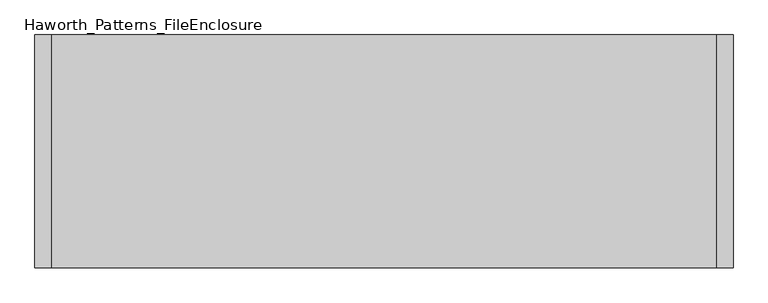
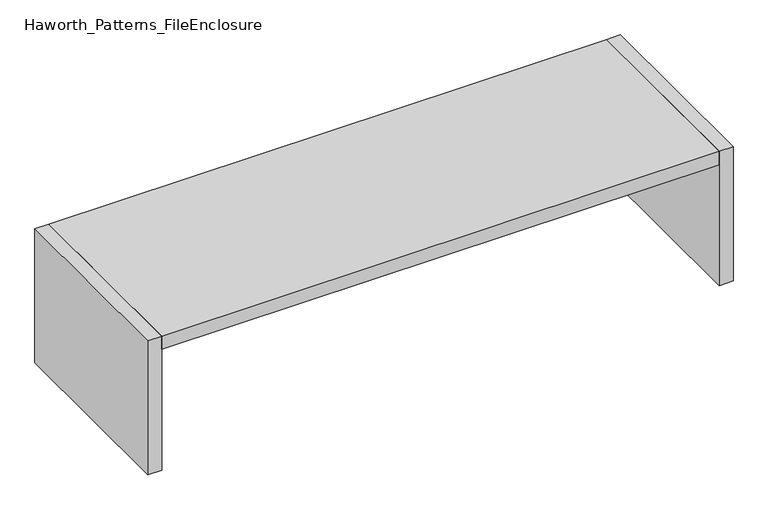
"""IFC4 building model written with IfcOpenShell, lengths in millimetres: furniture geometry, Haworth_Patterns_FileEnclosure."""

from ifc_helpers import new_model, si_unit, frame, origin, origin_with_axes, place, context, project, spatial, polyline, outline, extrude, source, transform, mapped, element, save


def haworth_patterns_fileenclosure_cbf09e03(model_context):
    return source(origin(), model_context, "Body", "SweptSolid", [
        extrude(outline(polyline([(1524.0, 0.0), (1524.0, -1066.8), (-1524.0, -1066.8), (-1524.0, 0.0), (1524.0, 0.0)])), frame((0.0, 0.0, 698.5), z_axis=(0.0, 0.0, 1.0), x_axis=(1.0, 0.0, 0.0)), (0.0, 0.0, 1.0), 76.2),
        extrude(outline(polyline([(1524.0, 0.0), (1600.2, 0.0), (1600.2, -1066.8), (1524.0, -1066.8), (1524.0, 0.0)])), origin_with_axes(), (0.0, 0.0, 1.0), 774.7),
        extrude(outline(polyline([(-1524.0, 0.0), (-1524.0, -1066.8), (-1600.2, -1066.8), (-1600.2, 0.0), (-1524.0, 0.0)])), origin_with_axes(), (0.0, 0.0, 1.0), 774.7),
    ])


if __name__ == "__main__":
    model = new_model("IFC4")
    model_context = context("Model", 3, world=origin())
    ifc_project = project(units=[si_unit("LENGTHUNIT", "METRE", prefix="MILLI")], contexts=[model_context])
    site = spatial("IfcSite", under=ifc_project)
    building = spatial("IfcBuilding", under=site)
    placement = place(None, origin())
    haworth_patterns_fileenclosure_shape = haworth_patterns_fileenclosure_cbf09e03(model_context)
    element("IfcFurniture", 1, ObjectType="Haworth_Patterns_FileEnclosure", at=placement, inside=building, context=model_context, shape_type="MappedRepresentation", body=[
        mapped(haworth_patterns_fileenclosure_shape, transform((0.0, 0.0, 0.0), x_axis=(1.0, 0.0, 0.0), y_axis=(0.0, 1.0, 0.0), z_axis=(0.0, 0.0, 1.0))),
    ])
    save(model, "model.ifc")
